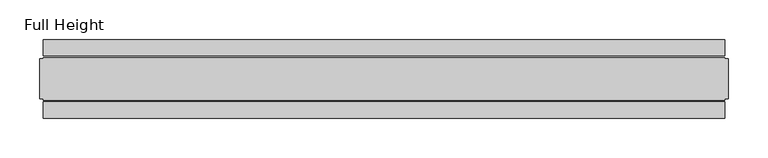
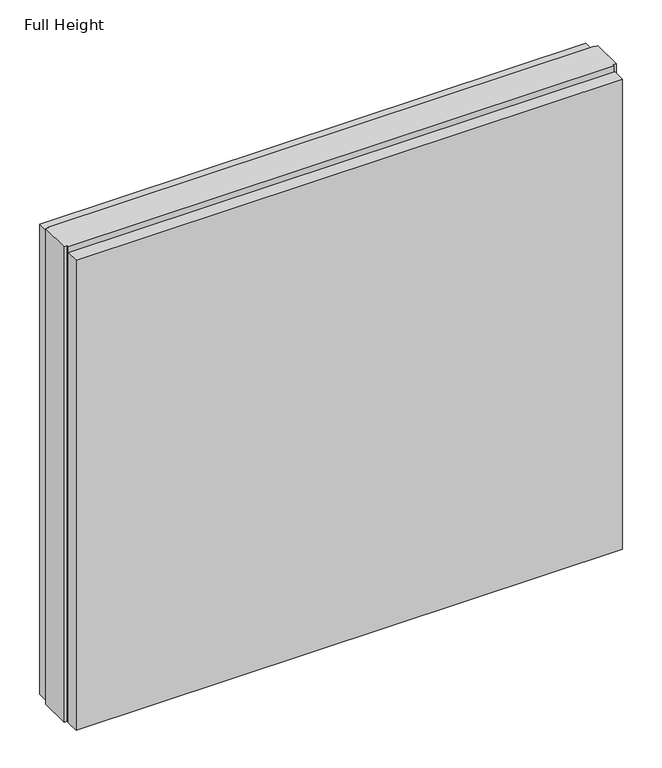
"""IFC4 building model written with IfcOpenShell, lengths in millimetres: plate geometry, Full Height."""

from ifc_helpers import new_model, si_unit, origin, origin_with_axes, place, context, project, spatial, polyline, outline, extrude, source, transform, mapped, element, save


def full_height_962491d9(model_context):
    return source(origin(), model_context, "Body", "SweptSolid", [
        extrude(outline(polyline([(429.6096315, -28.956), (429.6096315, -49.53), (-429.6096315, -49.53), (-429.6096315, -28.956), (429.6096315, -28.956)])), origin_with_axes(), (0.0, 0.0, 1.0), 780.796),
        extrude(outline(polyline([(429.6096315, 28.956), (-429.6096315, 28.956), (-429.6096315, 49.53), (429.6096315, 49.53), (429.6096315, 28.956)])), origin_with_axes(), (0.0, 0.0, 1.0), 780.796),
        extrude(outline(polyline([(429.6096315, 25.146), (434.1816315, 25.146), (434.1816315, -25.146), (429.6096315, -25.146), (429.6096315, -26.67), (-429.6096315, -26.67), (-429.6096315, -25.146), (-434.1816315, -25.146), (-434.1816315, 25.146), (-429.6096315, 25.146), (-429.6096315, 26.67), (429.6096315, 26.67), (429.6096315, 25.146)])), origin_with_axes(), (0.0, 0.0, 1.0), 789.94),
    ])


if __name__ == "__main__":
    model = new_model("IFC4")
    model_context = context("Model", 3, world=origin())
    ifc_project = project(units=[si_unit("LENGTHUNIT", "METRE", prefix="MILLI")], contexts=[model_context])
    site = spatial("IfcSite", under=ifc_project)
    building = spatial("IfcBuilding", under=site)
    placement = place(None, origin())
    full_height_shape = full_height_962491d9(model_context)
    element("IfcPlate", 1, ObjectType="Full Height", at=placement, inside=building, context=model_context, shape_type="MappedRepresentation", body=[
        mapped(full_height_shape, transform((0.0, 0.0, 0.0), x_axis=(1.0, 0.0, 0.0), y_axis=(0.0, 1.0, 0.0), z_axis=(0.0, 0.0, 1.0))),
    ])
    save(model, "model.ifc")
